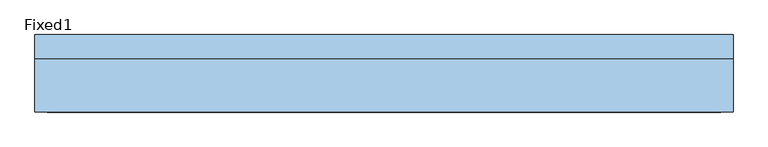
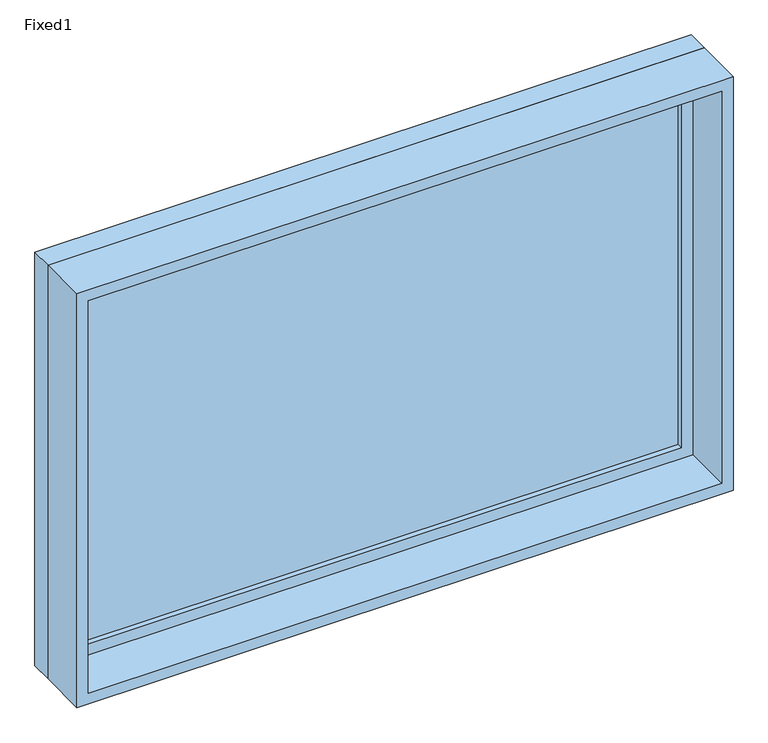
"""IFC4 building model written with IfcOpenShell, lengths in millimetres: window geometry, Fixed1."""

from ifc_helpers import new_model, si_unit, frame, origin, place, context, project, spatial, polyline, outline, extrude, source, transform, mapped, element, save


def fixed1_f743cfcf(model_context):
    return source(origin(), model_context, "Body", "SweptSolid", [
        extrude(outline(polyline([(812.8, 53.975), (-889.0, 53.975), (-889.0, 66.675), (812.8, 66.675), (812.8, 53.975)])), frame((0.0, 0.0, 1130.3), z_axis=(0.0, 0.0, 1.0), x_axis=(1.0, 0.0, 0.0)), (0.0, 0.0, 1.0), 1092.2),
        extrude(outline(polyline([(2266.95, -933.45), (1085.85, -933.45), (1085.85, 857.25), (2266.95, 857.25), (2266.95, -933.45)]), holes=[polyline([(2222.5, -889.0), (2222.5, 812.8), (1130.3, 812.8), (1130.3, -889.0), (2222.5, -889.0)])]), frame((0.0, 38.1, 0.0), z_axis=(0.0, 1.0, 0.0), x_axis=(0.0, 0.0, 1.0)), (0.0, 0.0, 1.0), 44.45),
        extrude(outline(polyline([(2286.0, -952.5), (1066.8, -952.5), (1066.8, 876.3), (2286.0, 876.3), (2286.0, -952.5)]), holes=[polyline([(2254.25, -920.75), (2254.25, 844.55), (1098.55, 844.55), (1098.55, -920.75), (2254.25, -920.75)])]), frame((0.0, -101.6, 0.0), z_axis=(0.0, 1.0, 0.0), x_axis=(0.0, 0.0, 1.0)), (0.0, 0.0, 1.0), 139.7),
        extrude(outline(polyline([(2286.0, 876.3), (2286.0, -952.5), (1066.8, -952.5), (1066.8, 876.3), (2286.0, 876.3)]), holes=[polyline([(2266.95, 857.25), (1085.85, 857.25), (1085.85, -933.45), (2266.95, -933.45), (2266.95, 857.25)])]), frame((0.0, 38.1, 0.0), z_axis=(0.0, 1.0, 0.0), x_axis=(0.0, 0.0, 1.0)), (0.0, 0.0, 1.0), 63.5),
    ])


if __name__ == "__main__":
    model = new_model("IFC4")
    model_context = context("Model", 3, world=origin())
    ifc_project = project(units=[si_unit("LENGTHUNIT", "METRE", prefix="MILLI")], contexts=[model_context])
    site = spatial("IfcSite", under=ifc_project)
    building = spatial("IfcBuilding", under=site)
    placement = place(None, origin())
    fixed1_shape = fixed1_f743cfcf(model_context)
    element("IfcWindow", 1, ObjectType="Fixed1", at=placement, inside=building, context=model_context, shape_type="MappedRepresentation", body=[
        mapped(fixed1_shape, transform((0.0, 0.0, 0.0), x_axis=(1.0, 0.0, 0.0), y_axis=(0.0, 1.0, 0.0), z_axis=(0.0, 0.0, 1.0))),
    ])
    save(model, "model.ifc")
